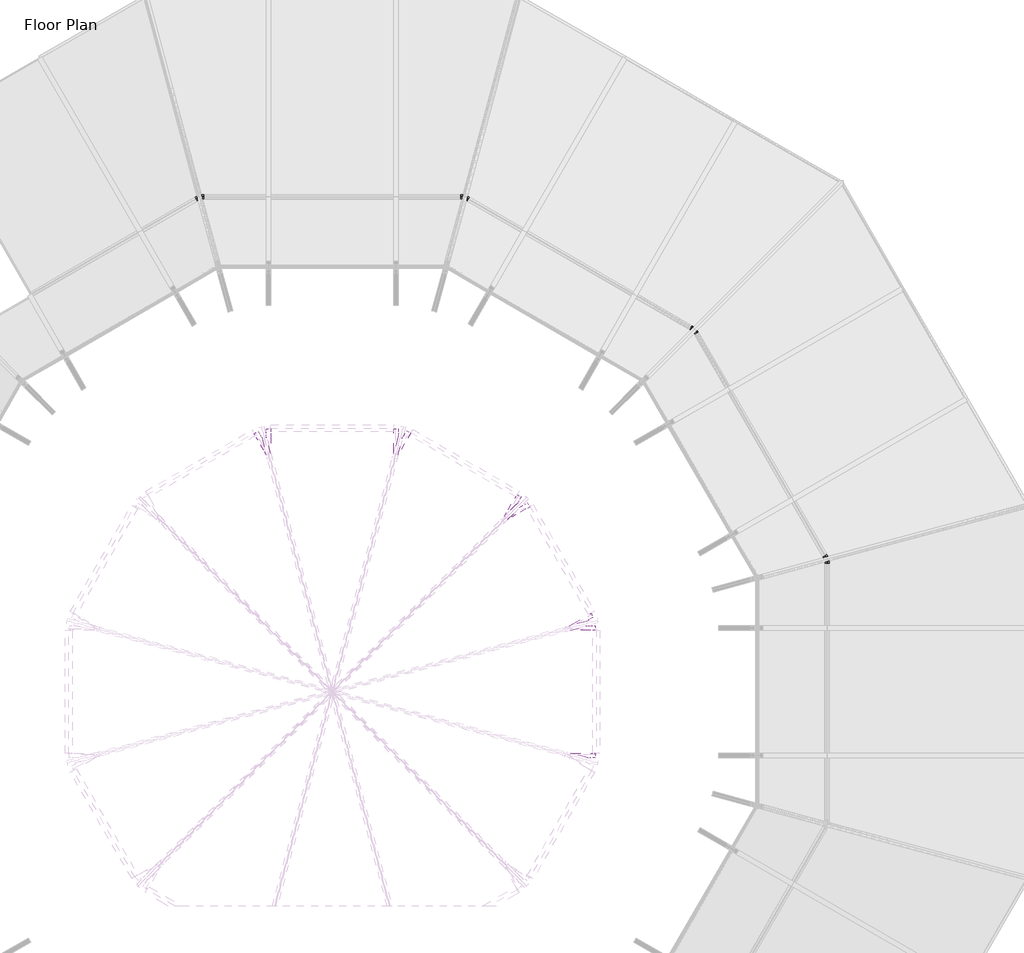
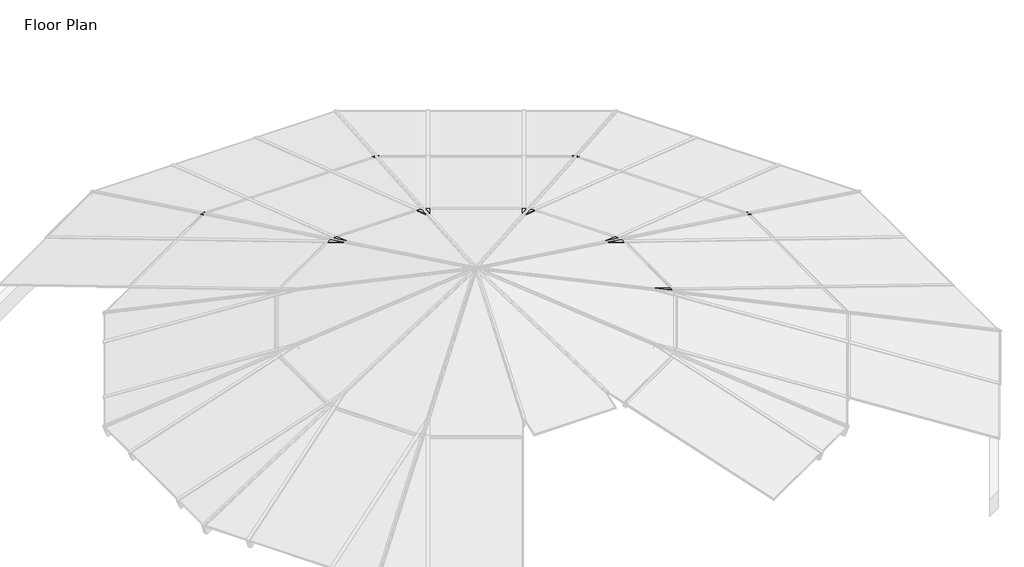
# One storey, part 7 of 7: 17 proxies.
"""IFC4 building model written with IfcOpenShell, lengths in millimetres."""

from ifc_helpers import new_model, si_unit, origin, place, context, project, spatial, faceted_brep, element, save

model = new_model("IFC4")

# Units and contexts
model_context = context("Model", 3, world=origin())
ifc_project = project(units=[si_unit("LENGTHUNIT", "METRE", prefix="MILLI")], contexts=[model_context])

# Site, building, storey
site = spatial("IfcSite", under=ifc_project)
building = spatial("IfcBuilding", under=site)
storey = spatial("IfcBuildingStorey", under=building, Name="Floor Plan", Elevation=0.0)

# Proxies
placement = place(None, origin())
element("IfcBuildingElementProxy", 1, Name="Purlin10 : Purlin", ObjectType="Purlin10 : Purlin", at=placement, inside=storey, context=model_context, shape_type="Brep", body=[
    faceted_brep([(10444.1800702, 7986.8946887, 912.0046085), (10433.0101736, 8006.2415171, 894.2792535), (10433.9737861, 8004.5724914, 888.4959136), (10442.2690755, 7990.2046287, 894.0245144), (10445.8223964, 7984.0500962, 872.6984486), (10437.5389669, 7998.3974169, 867.1777521), (10449.6363185, 7977.4441894, 794.5727396), (10479.7578803, 7925.2721139, 814.6479994), (10467.6605288, 7946.2253415, 887.253012), (10459.7445823, 7959.9361629, 881.9772337), (10456.1912613, 7966.0906954, 903.3032995), (10464.0953479, 7952.4004159, 908.5711734), (10463.1317354, 7954.0694417, 914.3545133), (10448.8782789, 7978.7571525, 915.1358458), (10467.9730775, 8000.6315879, 912.0046085), (10461.9876761, 8022.971686, 894.2792535), (10462.5044046, 8021.0446517, 888.4959136), (10466.9498368, 8004.4540729, 894.0245144), (10468.8552732, 7997.3481338, 872.6984486), (10464.4161967, 8013.9149928, 867.1777521), (10470.9032924, 7989.7226825, 794.5727396), (10487.0453887, 7929.4795589, 814.6479994), (10480.558293, 7953.6718692, 887.253012), (10476.3161501, 7969.503762, 881.9772337), (10474.4107137, 7976.6097012, 903.3032995), (10478.646501, 7960.8015281, 908.5711734), (10478.1297725, 7962.7285624, 914.3545133), (10470.4908399, 7991.2351705, 915.1358458)], [[[0, 1, 2, 3, 4, 5, 6, 7, 8, 9, 10, 11, 12, 13]], [[1, 0, 14, 15]], [[2, 1, 15, 16]], [[3, 2, 16, 17]], [[4, 3, 17, 18]], [[5, 4, 18, 19]], [[6, 5, 19, 20]], [[7, 6, 20, 21]], [[8, 7, 21, 22]], [[9, 8, 22, 23]], [[10, 9, 23, 24]], [[11, 10, 24, 25]], [[12, 11, 25, 26]], [[13, 12, 26, 27]], [[0, 13, 27, 14]], [[15, 14, 27, 26, 25, 24, 23, 22, 21, 20, 19, 18, 17, 16]]]),
    faceted_brep([(10510.3334344, 7965.2251064, 872.6022726), (10519.9896991, 7948.4999654, 814.6479994), (10510.3405627, 7965.2127599, 808.2170938), (10515.5115193, 7945.914487, 814.6479994)], [[[0, 1, 2]], [[2, 1, 3]], [[1, 0, 3]], [[0, 2, 3]]]),
])
element("IfcBuildingElementProxy", 2, Name="Purlin11 : Purlin", ObjectType="Purlin11 : Purlin", at=placement, inside=storey, context=model_context, shape_type="Brep", body=[
    faceted_brep([(10557.0256495, 8017.1315705, 912.0046085), (10557.0256495, 8007.7351531, 915.1358458), (10557.0256495, 7979.2282401, 914.3545133), (10557.0256495, 7977.3010152, 908.5711734), (10557.0256495, 7993.1091883, 903.3032995), (10557.0256495, 7986.0025463, 881.9772337), (10557.0256495, 7970.1706534, 887.253012), (10557.0256495, 7945.9759503, 814.6479994), (10557.0256495, 8006.2190739, 794.5727396), (10557.0256495, 8030.413777, 867.1777521), (10557.0256495, 8013.8469181, 872.6984486), (10557.0256495, 8020.95356, 894.0245144), (10557.0256495, 8037.5441388, 888.4959136), (10557.0256495, 8039.4713637, 894.2792535), (10523.5653117, 8039.4713637, 894.2792535), (10529.5518512, 8017.1315705, 912.0046085), (10524.0813289, 8037.5441388, 888.4959136), (10528.5267611, 8020.95356, 894.0245144), (10530.4295744, 8013.8469181, 872.6984486), (10525.9904979, 8030.413777, 867.1777521), (10532.4686633, 8006.2190739, 794.5727396), (10548.6107596, 7945.9759503, 814.6479994), (10542.1325942, 7970.1706534, 887.253012), (10537.8904513, 7986.0025463, 881.9772337), (10535.987638, 7993.1091883, 903.3032995), (10540.2234252, 7977.3010152, 908.5711734), (10539.707408, 7979.2282401, 914.3545133), (10532.0696137, 8007.7351531, 915.1358458)], [[[0, 1, 2, 3, 4, 5, 6, 7, 8, 9, 10, 11, 12, 13]], [[0, 13, 14, 15]], [[13, 12, 16, 14]], [[12, 11, 17, 16]], [[11, 10, 18, 17]], [[10, 9, 19, 18]], [[9, 8, 20, 19]], [[8, 7, 21, 20]], [[7, 6, 22, 21]], [[6, 5, 23, 22]], [[5, 4, 24, 23]], [[4, 3, 25, 24]], [[3, 2, 26, 25]], [[2, 1, 27, 26]], [[1, 0, 15, 27]], [[15, 14, 16, 17, 18, 19, 20, 21, 22, 23, 24, 25, 26, 27]]]),
    faceted_brep([(10510.5699467, 7965.2742231, 808.2170938), (10510.5699467, 7945.9759503, 814.6479994), (10510.5699467, 7965.2884796, 872.6022726), (10515.7409033, 7945.9759503, 814.6479994)], [[[0, 1, 2]], [[1, 0, 3]], [[2, 1, 3]], [[0, 2, 3]]]),
])
element("IfcBuildingElementProxy", 3, Name="Purlin12 : Purlin", ObjectType="Purlin12 : Purlin", at=placement, inside=storey, context=model_context, shape_type="Brep", body=[
    faceted_brep([(14016.2584541, 8017.1315705, 912.0046085), (14016.2584541, 8039.4713637, 894.2792535), (14016.2584541, 8037.5441388, 888.4959136), (14016.2584541, 8020.95356, 894.0245144), (14016.2584541, 8013.8469181, 872.6984486), (14016.2584541, 8030.413777, 867.1777521), (14016.2584541, 8006.2190739, 794.5727396), (14016.2584541, 7945.9759503, 814.6479994), (14016.2584541, 7970.1706534, 887.253012), (14016.2584541, 7986.0025463, 881.9772337), (14016.2584541, 7993.1091883, 903.3032995), (14016.2584541, 7977.3010152, 908.5711734), (14016.2584541, 7979.2282401, 914.3545133), (14016.2584541, 8007.7351531, 915.1358458), (14043.7322524, 8017.1315705, 912.0046085), (14049.7187919, 8039.4713637, 894.2792535), (14049.2027747, 8037.5441388, 888.4959136), (14044.7573426, 8020.95356, 894.0245144), (14042.8545293, 8013.8469181, 872.6984486), (14047.2936058, 8030.413777, 867.1777521), (14040.8154403, 8006.2190739, 794.5727396), (14024.673344, 7945.9759503, 814.6479994), (14031.1515094, 7970.1706534, 887.253012), (14035.3936524, 7986.0025463, 881.9772337), (14037.2964656, 7993.1091883, 903.3032995), (14033.0606784, 7977.3010152, 908.5711734), (14033.5766956, 7979.2282401, 914.3545133), (14041.21449, 8007.7351531, 915.1358458)], [[[0, 1, 2, 3, 4, 5, 6, 7, 8, 9, 10, 11, 12, 13]], [[1, 0, 14, 15]], [[2, 1, 15, 16]], [[3, 2, 16, 17]], [[4, 3, 17, 18]], [[5, 4, 18, 19]], [[6, 5, 19, 20]], [[7, 6, 20, 21]], [[8, 7, 21, 22]], [[9, 8, 22, 23]], [[10, 9, 23, 24]], [[11, 10, 24, 25]], [[12, 11, 25, 26]], [[13, 12, 26, 27]], [[0, 13, 27, 14]], [[15, 14, 27, 26, 25, 24, 23, 22, 21, 20, 19, 18, 17, 16]]]),
    faceted_brep([(14062.7141569, 7965.2884796, 872.6022726), (14062.7141569, 7945.9759503, 814.6479994), (14062.7141569, 7965.2742231, 808.2170938), (14057.5432003, 7945.9759503, 814.6479994)], [[[0, 1, 2]], [[2, 1, 3]], [[1, 0, 3]], [[0, 2, 3]]]),
])
element("IfcBuildingElementProxy", 4, Name="Purlin13 : Purlin", ObjectType="Purlin13 : Purlin", at=placement, inside=storey, context=model_context, shape_type="Brep", body=[
    faceted_brep([(14128.9942127, 7986.9697195, 912.0046085), (14124.296004, 7978.8321833, 915.1358458), (14110.0425475, 7954.1444724, 914.3545133), (14109.078935, 7952.4754467, 908.5711734), (14116.9830216, 7966.1657262, 903.3032995), (14113.4297006, 7960.0111937, 881.9772337), (14105.5137541, 7946.3003722, 887.253012), (14093.4164026, 7925.3471447, 814.6479994), (14123.5379644, 7977.5192201, 794.5727396), (14135.6353159, 7998.4724477, 867.1777521), (14127.3518864, 7984.125127, 872.6984486), (14130.9052074, 7990.2796594, 894.0245144), (14139.2004968, 8004.6475221, 888.4959136), (14140.1641093, 8006.3165479, 894.2792535), (14111.3340024, 8022.9616179, 894.2792535), (14105.348601, 8000.6215197, 912.0046085), (14110.8172739, 8021.0345835, 888.4959136), (14106.3718417, 8004.4440047, 894.0245144), (14104.4664054, 7997.3380656, 872.6984486), (14108.9054818, 8013.9049246, 867.1777521), (14102.4183861, 7989.7126143, 794.5727396), (14086.2762898, 7929.4694907, 814.6479994), (14092.7633855, 7953.661801, 887.253012), (14097.0055284, 7969.4936939, 881.9772337), (14098.9109648, 7976.599633, 903.3032995), (14094.6751776, 7960.7914599, 908.5711734), (14095.1919061, 7962.7184942, 914.3545133), (14102.8308386, 7991.2251023, 915.1358458)], [[[0, 1, 2, 3, 4, 5, 6, 7, 8, 9, 10, 11, 12, 13]], [[0, 13, 14, 15]], [[13, 12, 16, 14]], [[12, 11, 17, 16]], [[11, 10, 18, 17]], [[10, 9, 19, 18]], [[9, 8, 20, 19]], [[8, 7, 21, 20]], [[7, 6, 22, 21]], [[6, 5, 23, 22]], [[5, 4, 24, 23]], [[4, 3, 25, 24]], [[3, 2, 26, 25]], [[2, 1, 27, 26]], [[1, 0, 15, 27]], [[15, 14, 16, 17, 18, 19, 20, 21, 22, 23, 24, 25, 26, 27]]]),
    faceted_brep([(14062.9811158, 7965.2026917, 808.2170938), (14053.3319794, 7948.4898972, 814.6479994), (14062.9882441, 7965.2150382, 872.6022726), (14057.8101592, 7945.9044189, 814.6479994)], [[[0, 1, 2]], [[1, 0, 3]], [[2, 1, 3]], [[0, 2, 3]]]),
])
element("IfcBuildingElementProxy", 5, Name="Purlin14 : Purlin", ObjectType="Purlin14 : Purlin", at=placement, inside=storey, context=model_context, shape_type="Brep", body=[
    faceted_brep([(17125.037652, 6257.2032333, 912.0046085), (17136.2075486, 6276.5500617, 894.2792535), (17135.2439361, 6274.8810359, 888.4959136), (17126.9486467, 6260.5131733, 894.0245144), (17123.3953257, 6254.3586408, 872.6984486), (17131.6787552, 6268.7059615, 867.1777521), (17119.5814036, 6247.752734, 794.5727396), (17089.4598418, 6195.5806585, 814.6479994), (17101.5571934, 6216.5338861, 887.253012), (17109.4731399, 6230.2447075, 881.9772337), (17113.0264608, 6236.39924, 903.3032995), (17105.1223743, 6222.7089605, 908.5711734), (17106.0859868, 6224.3779862, 914.3545133), (17120.3394433, 6249.0656971, 915.1358458), (17148.6832636, 6243.551433, 912.0046085), (17165.0376555, 6259.9049917, 894.2792535), (17163.627159, 6258.4939745, 888.4959136), (17151.4820124, 6246.348828, 894.0245144), (17146.2808068, 6241.1457021, 872.6984486), (17158.4085893, 6253.2734846, 867.1777521), (17140.7009819, 6235.5593398, 794.5727396), (17096.5999546, 6191.4583125, 814.6479994), (17114.307562, 6209.1724573, 887.253012), (17125.897312, 6220.7622073, 881.9772337), (17131.0985176, 6225.9653331, 903.3032995), (17119.5261317, 6214.3929473, 908.5711734), (17120.9366282, 6215.8039644, 914.3545133), (17141.8046086, 6236.6727781, 915.1358458)], [[[0, 1, 2, 3, 4, 5, 6, 7, 8, 9, 10, 11, 12, 13]], [[1, 0, 14, 15]], [[2, 1, 15, 16]], [[3, 2, 16, 17]], [[4, 3, 17, 18]], [[5, 4, 18, 19]], [[6, 5, 19, 20]], [[7, 6, 20, 21]], [[8, 7, 21, 22]], [[9, 8, 22, 23]], [[10, 9, 23, 24]], [[11, 10, 24, 25]], [[12, 11, 25, 26]], [[13, 12, 26, 27]], [[0, 13, 27, 14]], [[15, 14, 27, 26, 25, 24, 23, 22, 21, 20, 19, 18, 17, 16]]]),
    faceted_brep([(17139.2005296, 6189.163047, 872.6022726), (17129.544265, 6172.437906, 814.6479994), (17139.1934014, 6189.1507005, 808.2170938), (17125.0660852, 6175.0233843, 814.6479994)], [[[0, 1, 2]], [[2, 1, 3]], [[1, 0, 3]], [[0, 2, 3]]]),
])
element("IfcBuildingElementProxy", 6, Name="Purlin15 : Purlin", ObjectType="Purlin15 : Purlin", at=placement, inside=storey, context=model_context, shape_type="Brep", body=[
    faceted_brep([(17207.4684122, 6174.7724731, 912.0046085), (17199.330876, 6170.0742644, 915.1358458), (17174.6431652, 6155.8208078, 914.3545133), (17172.9741394, 6154.8571954, 908.5711734), (17186.6644189, 6162.7612819, 903.3032995), (17180.5098864, 6159.2079609, 881.9772337), (17166.799065, 6151.2920145, 887.253012), (17145.8458374, 6139.1946629, 814.6479994), (17198.0179129, 6169.3162247, 794.5727396), (17218.9711404, 6181.4135763, 867.1777521), (17204.6238197, 6173.1301468, 872.6984486), (17210.7783522, 6176.6834678, 894.0245144), (17225.1462149, 6184.9787572, 888.4959136), (17226.8152406, 6185.9423697, 894.2792535), (17210.1701706, 6214.7724765, 894.2792535), (17193.8166119, 6198.4180847, 912.0046085), (17208.7591535, 6213.3619801, 888.4959136), (17196.6140069, 6201.2168335, 894.0245144), (17191.410881, 6196.0156279, 872.6984486), (17203.5386635, 6208.1434104, 867.1777521), (17185.8245187, 6190.435803, 794.5727396), (17141.7234914, 6146.3347757, 814.6479994), (17159.4376362, 6164.0423831, 887.253012), (17171.0273862, 6175.6321331, 881.9772337), (17176.2305121, 6180.8333387, 903.3032995), (17164.6581262, 6169.2609528, 908.5711734), (17166.0691433, 6170.6714493, 914.3545133), (17186.937957, 6191.5394297, 915.1358458)], [[[0, 1, 2, 3, 4, 5, 6, 7, 8, 9, 10, 11, 12, 13]], [[0, 13, 14, 15]], [[13, 12, 16, 14]], [[12, 11, 17, 16]], [[11, 10, 18, 17]], [[10, 9, 19, 18]], [[9, 8, 20, 19]], [[8, 7, 21, 20]], [[7, 6, 22, 21]], [[6, 5, 23, 22]], [[5, 4, 24, 23]], [[4, 3, 25, 24]], [[3, 2, 26, 25]], [[2, 1, 27, 26]], [[1, 0, 15, 27]], [[15, 14, 16, 17, 18, 19, 20, 21, 22, 23, 24, 25, 26, 27]]]),
    faceted_brep([(17139.4158794, 6188.9282225, 808.2170938), (17122.7030849, 6179.2790861, 814.6479994), (17139.428226, 6188.9353507, 872.6022726), (17125.2885632, 6174.8009063, 814.6479994)], [[[0, 1, 2]], [[1, 0, 3]], [[2, 1, 3]], [[0, 2, 3]]]),
])
element("IfcBuildingElementProxy", 7, Name="Purlin16 : Purlin", ObjectType="Purlin16 : Purlin", at=placement, inside=storey, context=model_context, shape_type="Brep", body=[
    faceted_brep([(18937.2154075, 3178.7627929, 912.0046085), (18956.5622359, 3189.9326895, 894.2792535), (18954.8932102, 3188.969077, 888.4959136), (18940.5253475, 3180.6737877, 894.0245144), (18934.370815, 3177.1204667, 872.6984486), (18948.7181358, 3185.4038962, 867.1777521), (18927.7649082, 3173.3065446, 794.5727396), (18875.5928328, 3143.1849828, 814.6479994), (18896.5460603, 3155.2823344, 887.253012), (18910.2568817, 3163.1982808, 881.9772337), (18916.4114142, 3166.7516018, 903.3032995), (18902.7211347, 3158.8475152, 908.5711734), (18904.3901605, 3159.8111277, 914.3545133), (18929.0778713, 3174.0645842, 915.1358458), (18950.8672077, 3155.1171813, 912.0046085), (18973.2073059, 3161.1025826, 894.2792535), (18971.2802716, 3160.5858541, 888.4959136), (18954.6896928, 3156.1404219, 894.0245144), (18947.5837537, 3154.2349856, 872.6984486), (18964.1506127, 3158.6740621, 867.1777521), (18939.9583024, 3152.1869664, 794.5727396), (18879.7151788, 3136.04487, 814.6479994), (18903.9074891, 3142.5319658, 887.253012), (18919.7393819, 3146.7741087, 881.9772337), (18926.8453211, 3148.679545, 903.3032995), (18911.037148, 3144.4437578, 908.5711734), (18912.9641823, 3144.9604863, 914.3545133), (18941.4707904, 3152.5994188, 915.1358458)], [[[0, 1, 2, 3, 4, 5, 6, 7, 8, 9, 10, 11, 12, 13]], [[1, 0, 14, 15]], [[2, 1, 15, 16]], [[3, 2, 16, 17]], [[4, 3, 17, 18]], [[5, 4, 18, 19]], [[6, 5, 19, 20]], [[7, 6, 20, 21]], [[8, 7, 21, 22]], [[9, 8, 22, 23]], [[10, 9, 23, 24]], [[11, 10, 24, 25]], [[12, 11, 25, 26]], [[13, 12, 26, 27]], [[0, 13, 27, 14]], [[15, 14, 27, 26, 25, 24, 23, 22, 21, 20, 19, 18, 17, 16]]]),
    faceted_brep([(18915.4607263, 3112.7568243, 872.6022726), (18898.7355852, 3103.1005596, 814.6479994), (18915.4483798, 3112.7496961, 808.2170938), (18896.1501069, 3107.5787394, 814.6479994)], [[[0, 1, 2]], [[2, 1, 3]], [[1, 0, 3]], [[0, 2, 3]]]),
])
element("IfcBuildingElementProxy", 8, Name="Purlin17 : Purlin", ObjectType="Purlin17 : Purlin", at=placement, inside=storey, context=model_context, shape_type="Brep", body=[
    faceted_brep([(18967.396894, 3066.1239517, 912.0046085), (18958.0004767, 3066.1239517, 915.1358458), (18929.4935636, 3066.1239517, 914.3545133), (18927.5663387, 3066.1239517, 908.5711734), (18943.3745118, 3066.1239517, 903.3032995), (18936.2678698, 3066.1239517, 881.9772337), (18920.4359769, 3066.1239517, 887.253012), (18896.2412738, 3066.1239517, 814.6479994), (18956.4843974, 3066.1239517, 794.5727396), (18980.6791006, 3066.1239517, 867.1777521), (18964.1122416, 3066.1239517, 872.6984486), (18971.2188835, 3066.1239517, 894.0245144), (18987.8094623, 3066.1239517, 888.4959136), (18989.7366873, 3066.1239517, 894.2792535), (18989.7366873, 3099.4140917, 894.2792535), (18967.396894, 3093.4275522, 912.0046085), (18987.8094623, 3098.8980745, 888.4959136), (18971.2188835, 3094.4526423, 894.0245144), (18964.1122416, 3092.549829, 872.6984486), (18980.6791006, 3096.9889055, 867.1777521), (18956.4843974, 3090.5107401, 794.5727396), (18896.2412738, 3074.3686437, 814.6479994), (18920.4359769, 3080.8468092, 887.253012), (18936.2678698, 3085.0889521, 881.9772337), (18943.3745118, 3086.9917654, 903.3032995), (18927.5663387, 3082.7559782, 908.5711734), (18929.4935636, 3083.2719953, 914.3545133), (18958.0004767, 3090.9097897, 915.1358458)], [[[0, 1, 2, 3, 4, 5, 6, 7, 8, 9, 10, 11, 12, 13]], [[0, 13, 14, 15]], [[13, 12, 16, 14]], [[12, 11, 17, 16]], [[11, 10, 18, 17]], [[10, 9, 19, 18]], [[9, 8, 20, 19]], [[8, 7, 21, 20]], [[7, 6, 22, 21]], [[6, 5, 23, 22]], [[5, 4, 24, 23]], [[4, 3, 25, 24]], [[3, 2, 26, 25]], [[2, 1, 27, 26]], [[1, 0, 15, 27]], [[15, 14, 16, 17, 18, 19, 20, 21, 22, 23, 24, 25, 26, 27]]]),
    faceted_brep([(18915.5395466, 3112.4094567, 808.2170938), (18896.2412738, 3112.4094567, 814.6479994), (18915.5538031, 3112.4094567, 872.6022726), (18896.2412738, 3107.2385001, 814.6479994)], [[[0, 1, 2]], [[1, 0, 3]], [[2, 1, 3]], [[0, 2, 3]]]),
])
element("IfcBuildingElementProxy", 9, Name="Rafter17 : Rafter", ObjectType="Rafter17 : Rafter", at=placement, inside=storey, context=model_context, shape_type="Brep", body=[
    faceted_brep([(11396.8446434, 4534.0456401, 2050.4944179), (11396.842791, 4534.0488487, 2067.2264209), (11232.3649744, 4818.9327837, 1957.6061122), (11234.8743818, 4814.5863625, 1942.5453313), (11377.7946434, 4605.141208, 2026.8027181), (11251.3721658, 4824.1113625, 1942.5453313), (11377.7972665, 4605.1366647, 2003.1102019), (11254.9254868, 4817.95683, 1921.2192655), (11388.9224665, 4563.6168531, 2016.9461546), (11245.290781, 4812.39423, 1921.2192655), (11388.9233023, 4563.6154054, 2009.3966748), (11246.4230256, 4810.4331247, 1914.4238412), (11380.9731023, 4593.2859557, 1999.5093388), (11253.3081008, 4814.4082247, 1914.4238412), (11380.9740241, 4593.2843592, 1991.1834941), (11254.5567819, 4812.2454455, 1906.9295966), (11396.8490241, 4534.0380526, 2010.9265773), (11240.8086286, 4804.3079455, 1906.9295966), (11396.8650499, 4534.010295, 1866.1746732), (11262.5180146, 4766.706186, 1776.6357688), (11345.339042, 4750.2559587, 1795.1827037), (11339.3924006, 4748.5011423, 1794.6983082), (11317.5106278, 4798.456186, 1776.6357688), (11333.3490241, 4771.0232789, 1931.9542447), (11333.3562042, 4771.0108425, 1867.1004356), (11295.8012418, 4836.0579455, 1906.9295966), (11349.2240241, 4711.7769723, 1951.6973279), (11282.0530885, 4828.1204455, 1906.9295966), (11349.2231023, 4711.7785689, 1960.0231725), (11280.8044073, 4830.2832247, 1914.4238412), (11341.2729023, 4741.4491192, 1950.1358365), (11287.6894825, 4834.2583247, 1914.4238412), (11341.2720665, 4741.4505669, 1957.6853162), (11286.5572379, 4836.21943, 1921.2192655), (11352.3972665, 4699.9307553, 1971.5212689), (11276.922532, 4830.65683, 1921.2192655), (11352.3946434, 4699.9352985, 1995.2137851), (11273.369211, 4836.8113625, 1942.5453313), (11333.3446434, 4771.0308664, 1971.5220853), (11289.866995, 4846.3363625, 1942.5453313), (11333.342791, 4771.0340749, 1988.2540883), (11287.3575875, 4850.6827837, 1957.6061122)], [[[0, 1, 2, 3]], [[4, 0, 3, 5]], [[6, 4, 5, 7]], [[8, 6, 7, 9]], [[10, 8, 9, 11]], [[12, 10, 11, 13]], [[14, 12, 13, 15]], [[16, 14, 15, 17]], [[18, 16, 17, 19]], [[20, 21, 18, 19, 22]], [[23, 24, 20, 22, 25]], [[26, 23, 25, 27]], [[28, 26, 27, 29]], [[30, 28, 29, 31]], [[32, 30, 31, 33]], [[34, 32, 33, 35]], [[36, 34, 35, 37]], [[38, 36, 37, 39]], [[40, 38, 39, 41]], [[1, 40, 41, 2]], [[1, 0, 4, 6, 8, 10, 12, 14, 16, 18, 21, 24, 23, 26, 28, 30, 32, 34, 36, 38, 40]], [[21, 20, 24]], [[3, 2, 41, 39, 37, 35, 33, 31, 29, 27, 25, 22, 19, 17, 15, 13, 11, 9, 7, 5]]]),
])
element("IfcBuildingElementProxy", 10, Name="Rafter18 : Rafter", ObjectType="Rafter18 : Rafter", at=placement, inside=storey, context=model_context, shape_type="Brep", body=[
    faceted_brep([(14655.928677, 3660.7179283, 2067.2264209), (14655.9254685, 3660.7160759, 2050.4944179), (14942.8040469, 3826.3455004, 1940.1065917), (14947.1504681, 3828.8549079, 1955.1673726), (14707.9710363, 3712.7616438, 2026.8027181), (14933.2790469, 3842.8432843, 1940.1065917), (14707.9664931, 3712.7590207, 2003.1102019), (14927.1245144, 3839.2899633, 1918.7805259), (14677.5718814, 3682.3644091, 2016.9461546), (14932.6871144, 3829.6552575, 1918.7805259), (14677.5704337, 3682.3635732, 2009.3966748), (14930.7260091, 3828.5230129, 1911.9851016), (14699.2907841, 3704.0839236, 1999.5093388), (14926.7509091, 3835.408088, 1911.9851016), (14699.2891875, 3704.0830018, 1991.1834941), (14924.5881299, 3834.1594069, 1904.490857), (14655.9178809, 3660.7116952, 2010.9265773), (14932.5256299, 3820.4112536, 1904.490857), (14655.8901233, 3660.6956694, 1866.1746732), (14894.9238704, 3798.7018676, 1774.1970292), (14812.9083213, 3817.7138673, 1794.6983082), (14808.635787, 3822.2069036, 1795.1827037), (14863.1738704, 3853.6944807, 1774.1970292), (14829.3906708, 3834.1897414, 1867.1004356), (14829.4031072, 3834.1969215, 1931.9542447), (14900.7756299, 3875.4038667, 1904.490857), (14786.0318006, 3790.8256149, 1951.6973279), (14908.7131299, 3861.6557134, 1904.490857), (14786.0333972, 3790.8265367, 1960.0231725), (14910.8759091, 3862.9043946, 1911.9851016), (14807.7537475, 3812.546887, 1950.1358365), (14906.9008091, 3869.7894698, 1911.9851016), (14807.7551952, 3812.5477229, 1957.6853162), (14908.8619144, 3870.9217144, 1918.7805259), (14777.3605836, 3782.1531112, 1971.5212689), (14914.4245144, 3861.2870086, 1918.7805259), (14777.3651269, 3782.1557343, 1995.2137851), (14920.5790469, 3864.8403296, 1940.1065917), (14829.4106947, 3834.2013022, 1971.5220853), (14911.0540469, 3881.3381135, 1940.1065917), (14829.4139033, 3834.2031546, 1988.2540883), (14915.4004681, 3883.847521, 1955.1673726)], [[[0, 1, 2, 3]], [[1, 4, 5, 2]], [[4, 6, 7, 5]], [[6, 8, 9, 7]], [[8, 10, 11, 9]], [[10, 12, 13, 11]], [[12, 14, 15, 13]], [[14, 16, 17, 15]], [[16, 18, 19, 17]], [[18, 20, 21, 22, 19]], [[21, 23, 24, 25, 22]], [[24, 26, 27, 25]], [[26, 28, 29, 27]], [[28, 30, 31, 29]], [[30, 32, 33, 31]], [[32, 34, 35, 33]], [[34, 36, 37, 35]], [[36, 38, 39, 37]], [[38, 40, 41, 39]], [[40, 0, 3, 41]], [[1, 0, 40, 38, 36, 34, 32, 30, 28, 26, 24, 23, 20, 18, 16, 14, 12, 10, 8, 6, 4]], [[21, 20, 23]], [[3, 2, 5, 7, 9, 11, 13, 15, 17, 19, 22, 25, 27, 29, 31, 33, 35, 37, 39, 41]]]),
])
element("IfcBuildingElementProxy", 11, Name="Rafter19 : Rafter", ObjectType="Rafter19 : Rafter", at=placement, inside=storey, context=model_context, shape_type="Brep", body=[
    faceted_brep([(15484.2072292, 2226.0899834, 2050.4944179), (15484.2104377, 2226.0918358, 2067.2264209), (15775.4322288, 2394.2288153, 1955.1673726), (15771.0858076, 2391.7194079, 1940.1065917), (15555.302797, 2245.1399834, 2026.8027181), (15780.6108076, 2375.2216239, 1940.1065917), (15555.2982538, 2245.1373603, 2003.1102019), (15774.4562751, 2371.6683029, 1918.7805259), (15513.7784421, 2234.0121603, 2016.9461546), (15768.8936751, 2381.3030087, 1918.7805259), (15513.7769944, 2234.0113245, 2009.3966748), (15766.9325698, 2380.1707641, 1911.9851016), (15543.4475448, 2241.9615245, 1999.5093388), (15770.9076698, 2373.2856889, 1911.9851016), (15543.4459482, 2241.9606027, 1991.1834941), (15768.7448906, 2372.0370078, 1904.490857), (15484.1996416, 2226.0856027, 2010.9265773), (15760.8073906, 2385.7851611, 1904.490857), (15484.171884, 2226.0695768, 1866.1746732), (15723.2056311, 2364.0757751, 1774.1970292), (15700.4175477, 2277.5955848, 1795.1827037), (15698.6627313, 2283.5422262, 1794.6983082), (15754.9556311, 2309.0831619, 1774.1970292), (15721.1848679, 2289.5856027, 1931.9542447), (15721.1724315, 2289.5784226, 1867.1004356), (15792.5573906, 2330.7925479, 1904.490857), (15661.9385613, 2273.7106027, 1951.6973279), (15784.6198906, 2344.5407012, 1904.490857), (15661.9401579, 2273.7115245, 1960.0231725), (15786.7826698, 2345.7893824, 1911.9851016), (15691.6107082, 2281.6617245, 1950.1358365), (15790.7577698, 2338.9043072, 1911.9851016), (15691.6121559, 2281.6625603, 1957.6853162), (15792.7188751, 2340.0365518, 1918.7805259), (15650.0923443, 2270.5373603, 1971.5212689), (15787.1562751, 2349.6712577, 1918.7805259), (15650.0968876, 2270.5399834, 1995.2137851), (15793.3108076, 2353.2245787, 1940.1065917), (15721.1924554, 2289.5899834, 1971.5220853), (15802.8358076, 2336.7267947, 1940.1065917), (15721.195664, 2289.5918358, 1988.2540883), (15807.1822288, 2339.2362022, 1955.1673726)], [[[0, 1, 2, 3]], [[4, 0, 3, 5]], [[6, 4, 5, 7]], [[8, 6, 7, 9]], [[10, 8, 9, 11]], [[12, 10, 11, 13]], [[14, 12, 13, 15]], [[16, 14, 15, 17]], [[18, 16, 17, 19]], [[20, 21, 18, 19, 22]], [[23, 24, 20, 22, 25]], [[26, 23, 25, 27]], [[28, 26, 27, 29]], [[30, 28, 29, 31]], [[32, 30, 31, 33]], [[34, 32, 33, 35]], [[36, 34, 35, 37]], [[38, 36, 37, 39]], [[40, 38, 39, 41]], [[1, 40, 41, 2]], [[1, 0, 4, 6, 8, 10, 12, 14, 16, 18, 21, 24, 23, 26, 28, 30, 32, 34, 36, 38, 40]], [[21, 20, 24]], [[3, 2, 41, 39, 37, 35, 33, 31, 29, 27, 25, 22, 19, 17, 15, 13, 11, 9, 7, 5]]]),
])
element("IfcBuildingElementProxy", 12, Name="Rafter20 : Rafter", ObjectType="Rafter20 : Rafter", at=placement, inside=storey, context=model_context, shape_type="Brep", body=[
    faceted_brep([(15500.6715592, 2164.658094, 2067.2264209), (15500.6678543, 2164.658094, 2050.4944179), (15832.0235089, 2164.658094, 1940.0743324), (15837.0423239, 2164.658094, 1955.1351133), (15571.7634222, 2183.708094, 2026.8027181), (15832.0235089, 2183.708094, 1940.0743324), (15571.7581761, 2183.708094, 2003.1102019), (15824.916867, 2183.708094, 1918.7482666), (15530.2383644, 2172.582894, 2016.9461546), (15824.916867, 2172.582894, 1918.7482666), (15530.2366928, 2172.582894, 2009.3966748), (15822.6523776, 2172.582894, 1911.9528423), (15559.9072431, 2180.533094, 1999.5093388), (15822.6523776, 2180.533094, 1911.9528423), (15559.9053996, 2180.533094, 1991.1834941), (15820.1550153, 2180.533094, 1904.4585977), (15500.659093, 2164.658094, 2010.9265773), (15820.1550153, 2164.658094, 1904.4585977), (15500.6270412, 2164.658094, 1866.1746732), (15776.7362434, 2164.658094, 1774.16477), (15715.1178885, 2222.1307433, 1794.6983082), (15713.6642835, 2228.158094, 1795.1827037), (15776.7362434, 2228.158094, 1774.16477), (15737.629959, 2228.158094, 1867.1004356), (15737.6443193, 2228.158094, 1931.9542447), (15820.1550153, 2228.158094, 1904.4585977), (15678.3980127, 2212.283094, 1951.6973279), (15820.1550153, 2212.283094, 1904.4585977), (15678.3998563, 2212.283094, 1960.0231725), (15822.6523776, 2212.283094, 1911.9528423), (15708.0704066, 2220.233294, 1950.1358365), (15822.6523776, 2220.233294, 1911.9528423), (15708.0720782, 2220.233294, 1957.6853162), (15824.916867, 2220.233294, 1918.7482666), (15666.5522666, 2209.108094, 1971.5212689), (15824.916867, 2209.108094, 1918.7482666), (15666.5575127, 2209.108094, 1995.2137851), (15832.0235089, 2209.108094, 1940.0743324), (15737.6530806, 2228.158094, 1971.5220853), (15832.0235089, 2228.158094, 1940.0743324), (15737.6567855, 2228.158094, 1988.2540883), (15837.0423239, 2228.158094, 1955.1351133)], [[[0, 1, 2, 3]], [[1, 4, 5, 2]], [[4, 6, 7, 5]], [[6, 8, 9, 7]], [[8, 10, 11, 9]], [[10, 12, 13, 11]], [[12, 14, 15, 13]], [[14, 16, 17, 15]], [[16, 18, 19, 17]], [[18, 20, 21, 22, 19]], [[21, 23, 24, 25, 22]], [[24, 26, 27, 25]], [[26, 28, 29, 27]], [[28, 30, 31, 29]], [[30, 32, 33, 31]], [[32, 34, 35, 33]], [[34, 36, 37, 35]], [[36, 38, 39, 37]], [[38, 40, 41, 39]], [[40, 0, 3, 41]], [[1, 0, 40, 38, 36, 34, 32, 30, 28, 26, 24, 23, 20, 18, 16, 14, 12, 10, 8, 6, 4]], [[21, 20, 23]], [[3, 2, 5, 7, 9, 11, 13, 15, 17, 19, 22, 25, 27, 29, 31, 33, 35, 37, 39, 41]]]),
])
element("IfcBuildingElementProxy", 13, Name="Rafter21 : Rafter", ObjectType="Rafter21 : Rafter", at=placement, inside=storey, context=model_context, shape_type="Brep", body=[
    faceted_brep([(15500.6678543, 508.1348005, 2050.4944179), (15500.6715592, 508.1348005, 2067.2264209), (15837.0423239, 508.1348005, 1955.1351133), (15832.0235089, 508.1348005, 1940.0743324), (15571.7634222, 489.0848005, 2026.8027181), (15832.0235089, 489.0848005, 1940.0743324), (15571.7581761, 489.0848005, 2003.1102019), (15824.916867, 489.0848005, 1918.7482666), (15530.2383644, 500.2100005, 2016.9461546), (15824.916867, 500.2100005, 1918.7482666), (15530.2366928, 500.2100005, 2009.3966748), (15822.6523776, 500.2100005, 1911.9528423), (15559.9072431, 492.2598005, 1999.5093388), (15822.6523776, 492.2598005, 1911.9528423), (15559.9053996, 492.2598005, 1991.1834941), (15820.1550153, 492.2598005, 1904.4585977), (15500.659093, 508.1348005, 2010.9265773), (15820.1550153, 508.1348005, 1904.4585977), (15500.6270412, 508.1348005, 1866.1746732), (15776.7362434, 508.1348005, 1774.16477), (15713.6642835, 444.6348005, 1795.1827037), (15715.1178885, 450.6621512, 1794.6983082), (15776.7362434, 444.6348005, 1774.16477), (15737.6443193, 444.6348005, 1931.9542447), (15737.629959, 444.6348005, 1867.1004356), (15820.1550153, 444.6348005, 1904.4585977), (15678.3980127, 460.5098005, 1951.6973279), (15820.1550153, 460.5098005, 1904.4585977), (15678.3998563, 460.5098005, 1960.0231725), (15822.6523776, 460.5098005, 1911.9528423), (15708.0704066, 452.5596005, 1950.1358365), (15822.6523776, 452.5596005, 1911.9528423), (15708.0720782, 452.5596005, 1957.6853162), (15824.916867, 452.5596005, 1918.7482666), (15666.5522666, 463.6848005, 1971.5212689), (15824.916867, 463.6848005, 1918.7482666), (15666.5575127, 463.6848005, 1995.2137851), (15832.0235089, 463.6848005, 1940.0743324), (15737.6530806, 444.6348005, 1971.5220853), (15832.0235089, 444.6348005, 1940.0743324), (15737.6567855, 444.6348005, 1988.2540883), (15837.0423239, 444.6348005, 1955.1351133)], [[[0, 1, 2, 3]], [[4, 0, 3, 5]], [[6, 4, 5, 7]], [[8, 6, 7, 9]], [[10, 8, 9, 11]], [[12, 10, 11, 13]], [[14, 12, 13, 15]], [[16, 14, 15, 17]], [[18, 16, 17, 19]], [[20, 21, 18, 19, 22]], [[23, 24, 20, 22, 25]], [[26, 23, 25, 27]], [[28, 26, 27, 29]], [[30, 28, 29, 31]], [[32, 30, 31, 33]], [[34, 32, 33, 35]], [[36, 34, 35, 37]], [[38, 36, 37, 39]], [[40, 38, 39, 41]], [[1, 40, 41, 2]], [[1, 0, 4, 6, 8, 10, 12, 14, 16, 18, 21, 24, 23, 26, 28, 30, 32, 34, 36, 38, 40]], [[21, 20, 24]], [[3, 2, 41, 39, 37, 35, 33, 31, 29, 27, 25, 22, 19, 17, 15, 13, 11, 9, 7, 5]]]),
])
element("IfcBuildingElementProxy", 14, Name="Rafter3 : Rafter", ObjectType="Rafter3 : Rafter", at=placement, inside=storey, context=model_context, shape_type="Brep", body=[
    faceted_brep([(13115.03398, 4550.6867219, 2050.4944179), (13115.03398, 4550.6904268, 2067.2264209), (13115.03398, 4881.0700912, 1957.1315718), (13115.03398, 4876.0512763, 1942.0707909), (13134.08398, 4621.7822898, 2026.8027181), (13134.08398, 4876.0512763, 1942.0707909), (13134.08398, 4621.7770437, 2003.1102019), (13134.08398, 4868.9446343, 1920.7447251), (13122.95878, 4580.2572321, 2016.9461546), (13122.95878, 4868.9446343, 1920.7447251), (13122.95878, 4580.2555604, 2009.3966748), (13122.95878, 4866.680145, 1913.9493008), (13130.90898, 4609.9261107, 1999.5093388), (13130.90898, 4866.680145, 1913.9493008), (13130.90898, 4609.9242672, 1991.1834941), (13130.90898, 4864.1827827, 1906.4550562), (13115.03398, 4550.6779606, 2010.9265773), (13115.03398, 4864.1827827, 1906.4550562), (13115.03398, 4550.6459089, 1866.1746732), (13115.03398, 4820.7640107, 1776.1612284), (13178.53398, 4763.6831511, 1795.1827037), (13172.5066293, 4765.1367562, 1794.6983082), (13178.53398, 4820.7640107, 1776.1612284), (13178.53398, 4787.6631869, 1931.9542447), (13178.53398, 4787.6488266, 1867.1004356), (13178.53398, 4864.1827827, 1906.4550562), (13162.65898, 4728.4168803, 1951.6973279), (13162.65898, 4864.1827827, 1906.4550562), (13162.65898, 4728.4187239, 1960.0231725), (13162.65898, 4866.680145, 1913.9493008), (13170.60918, 4758.0892742, 1950.1358365), (13170.60918, 4866.680145, 1913.9493008), (13170.60918, 4758.0909459, 1957.6853162), (13170.60918, 4868.9446343, 1920.7447251), (13159.48398, 4716.5711342, 1971.5212689), (13159.48398, 4868.9446343, 1920.7447251), (13159.48398, 4716.5763803, 1995.2137851), (13159.48398, 4876.0512763, 1942.0707909), (13178.53398, 4787.6719482, 1971.5220853), (13178.53398, 4876.0512763, 1942.0707909), (13178.53398, 4787.6756531, 1988.2540883), (13178.53398, 4881.0700912, 1957.1315718)], [[[0, 1, 2, 3]], [[4, 0, 3, 5]], [[6, 4, 5, 7]], [[8, 6, 7, 9]], [[10, 8, 9, 11]], [[12, 10, 11, 13]], [[14, 12, 13, 15]], [[16, 14, 15, 17]], [[18, 16, 17, 19]], [[20, 21, 18, 19, 22]], [[23, 24, 20, 22, 25]], [[26, 23, 25, 27]], [[28, 26, 27, 29]], [[30, 28, 29, 31]], [[32, 30, 31, 33]], [[34, 32, 33, 35]], [[36, 34, 35, 37]], [[38, 36, 37, 39]], [[40, 38, 39, 41]], [[1, 40, 41, 2]], [[1, 0, 4, 6, 8, 10, 12, 14, 16, 18, 21, 24, 23, 26, 28, 30, 32, 34, 36, 38, 40]], [[21, 20, 24]], [[3, 2, 41, 39, 37, 35, 33, 31, 29, 27, 25, 22, 19, 17, 15, 13, 11, 9, 7, 5]]]),
])
element("IfcBuildingElementProxy", 15, Name="Rafter6 : Rafter", ObjectType="Rafter6 : Rafter", at=placement, inside=storey, context=model_context, shape_type="Brep", body=[
    faceted_brep([(11458.2501236, 4550.6904268, 2067.2264209), (11458.2501236, 4550.6867219, 2050.4944179), (11458.2501236, 4876.0512763, 1942.0707909), (11458.2501236, 4881.0700912, 1957.1315718), (11439.2001236, 4621.7822898, 2026.8027181), (11439.2001236, 4876.0512763, 1942.0707909), (11439.2001236, 4621.7770437, 2003.1102019), (11439.2001236, 4868.9446343, 1920.7447251), (11450.3253236, 4580.2572321, 2016.9461546), (11450.3253236, 4868.9446343, 1920.7447251), (11450.3253236, 4580.2555604, 2009.3966748), (11450.3253236, 4866.680145, 1913.9493008), (11442.3751236, 4609.9261107, 1999.5093388), (11442.3751236, 4866.680145, 1913.9493008), (11442.3751236, 4609.9242672, 1991.1834941), (11442.3751236, 4864.1827827, 1906.4550562), (11458.2501236, 4550.6779606, 2010.9265773), (11458.2501236, 4864.1827827, 1906.4550562), (11458.2501236, 4550.6459089, 1866.1746732), (11458.2501236, 4820.7640107, 1776.1612284), (11400.7774743, 4765.1367562, 1794.6983082), (11394.7501236, 4763.6831511, 1795.1827037), (11394.7501236, 4820.7640107, 1776.1612284), (11394.7501236, 4787.6488266, 1867.1004356), (11394.7501236, 4787.6631869, 1931.9542447), (11394.7501236, 4864.1827827, 1906.4550562), (11410.6251236, 4728.4168803, 1951.6973279), (11410.6251236, 4864.1827827, 1906.4550562), (11410.6251236, 4728.4187239, 1960.0231725), (11410.6251236, 4866.680145, 1913.9493008), (11402.6749236, 4758.0892742, 1950.1358365), (11402.6749236, 4866.680145, 1913.9493008), (11402.6749236, 4758.0909459, 1957.6853162), (11402.6749236, 4868.9446343, 1920.7447251), (11413.8001236, 4716.5711342, 1971.5212689), (11413.8001236, 4868.9446343, 1920.7447251), (11413.8001236, 4716.5763803, 1995.2137851), (11413.8001236, 4876.0512763, 1942.0707909), (11394.7501236, 4787.6719482, 1971.5220853), (11394.7501236, 4876.0512763, 1942.0707909), (11394.7501236, 4787.6756531, 1988.2540883), (11394.7501236, 4881.0700912, 1957.1315718)], [[[0, 1, 2, 3]], [[1, 4, 5, 2]], [[4, 6, 7, 5]], [[6, 8, 9, 7]], [[8, 10, 11, 9]], [[10, 12, 13, 11]], [[12, 14, 15, 13]], [[14, 16, 17, 15]], [[16, 18, 19, 17]], [[18, 20, 21, 22, 19]], [[21, 23, 24, 25, 22]], [[24, 26, 27, 25]], [[26, 28, 29, 27]], [[28, 30, 31, 29]], [[30, 32, 33, 31]], [[32, 34, 35, 33]], [[34, 36, 37, 35]], [[36, 38, 39, 37]], [[38, 40, 41, 39]], [[40, 0, 3, 41]], [[1, 0, 40, 38, 36, 34, 32, 30, 28, 26, 24, 23, 20, 18, 16, 14, 12, 10, 8, 6, 4]], [[21, 20, 23]], [[3, 2, 5, 7, 9, 11, 13, 15, 17, 19, 22, 25, 27, 29, 31, 33, 35, 37, 39, 41]]]),
])
element("IfcBuildingElementProxy", 16, Name="Rafter8 : Rafter", ObjectType="Rafter8 : Rafter", at=placement, inside=storey, context=model_context, shape_type="Brep", body=[
    faceted_brep([(13176.3226325, 4533.9649166, 2067.2264209), (13176.32078, 4533.9617081, 2050.4944179), (13341.6600353, 4820.3376987, 1940.2999821), (13344.1694428, 4824.6841199, 1955.360763), (13195.37078, 4605.0572759, 2026.8027181), (13325.1622514, 4829.8626987, 1940.2999821), (13195.368157, 4605.0527327, 2003.1102019), (13321.6089304, 4823.7081662, 1918.9739164), (13184.242957, 4563.532921, 2016.9461546), (13331.2436362, 4818.1455662, 1918.9739164), (13184.2421211, 4563.5314733, 2009.3966748), (13330.1113915, 4816.1844609, 1912.178492), (13192.1923211, 4593.2020237, 1999.5093388), (13323.2263164, 4820.1595609, 1912.178492), (13192.1913994, 4593.2004271, 1991.1834941), (13321.9776352, 4817.9967817, 1904.6842474), (13176.3163994, 4533.9541205, 2010.9265773), (13335.7257885, 4810.0592817, 1904.6842474), (13176.3003735, 4533.9263629, 1866.1746732), (13314.0164025, 4772.4575222, 1774.3904197), (13233.7730228, 4748.4172102, 1794.6983082), (13227.8263815, 4750.1720266, 1795.1827037), (13259.0237894, 4804.2075222, 1774.3904197), (13239.8092192, 4770.9269104, 1867.1004356), (13239.8163994, 4770.9393468, 1931.9542447), (13280.7331754, 4841.8092817, 1904.6842474), (13223.9413994, 4711.6930402, 1951.6973279), (13294.4813286, 4833.8717817, 1904.6842474), (13223.9423211, 4711.6946368, 1960.0231725), (13295.7300098, 4836.0345609, 1912.178492), (13231.8925211, 4741.3651871, 1950.1358365), (13288.8449346, 4840.0096609, 1912.178492), (13231.893357, 4741.3666348, 1957.6853162), (13289.9771793, 4841.9707662, 1918.9739164), (13220.768157, 4699.8468232, 1971.5212689), (13299.6118851, 4836.4081662, 1918.9739164), (13220.77078, 4699.8513665, 1995.2137851), (13303.1652061, 4842.5626987, 1940.2999821), (13239.82078, 4770.9469343, 1971.5220853), (13286.6674222, 4852.0876987, 1940.2999821), (13239.8226325, 4770.9501429, 1988.2540883), (13289.1768296, 4856.4341199, 1955.360763)], [[[0, 1, 2, 3]], [[1, 4, 5, 2]], [[4, 6, 7, 5]], [[6, 8, 9, 7]], [[8, 10, 11, 9]], [[10, 12, 13, 11]], [[12, 14, 15, 13]], [[14, 16, 17, 15]], [[16, 18, 19, 17]], [[18, 20, 21, 22, 19]], [[21, 23, 24, 25, 22]], [[24, 26, 27, 25]], [[26, 28, 29, 27]], [[28, 30, 31, 29]], [[30, 32, 33, 31]], [[32, 34, 35, 33]], [[34, 36, 37, 35]], [[36, 38, 39, 37]], [[38, 40, 41, 39]], [[40, 0, 3, 41]], [[1, 0, 40, 38, 36, 34, 32, 30, 28, 26, 24, 23, 20, 18, 16, 14, 12, 10, 8, 6, 4]], [[21, 20, 23]], [[3, 2, 5, 7, 9, 11, 13, 15, 17, 19, 22, 25, 27, 29, 31, 33, 35, 37, 39, 41]]]),
])
element("IfcBuildingElementProxy", 17, Name="Rafter9 : Rafter", ObjectType="Rafter9 : Rafter", at=placement, inside=storey, context=model_context, shape_type="Brep", body=[
    faceted_brep([(14610.981711, 3705.6598334, 2050.4944179), (14610.9835634, 3705.6630419, 2067.2264209), (14778.8303737, 3996.3822453, 1955.360763), (14776.3209662, 3992.035824, 1940.2999821), (14663.0272788, 3757.7054013, 2026.8027181), (14792.8187502, 3982.510824, 1940.2999821), (14663.0246558, 3757.700858, 2003.1102019), (14789.2654292, 3976.3562915, 1918.9739164), (14632.6300441, 3727.3062464, 2016.9461546), (14779.6307233, 3981.9188915, 1918.9739164), (14632.6292083, 3727.3047987, 2009.3966748), (14778.4984787, 3979.9577862, 1912.178492), (14654.3495586, 3749.025149, 1999.5093388), (14785.3835539, 3975.9826862, 1912.178492), (14654.3486369, 3749.0235524, 1991.1834941), (14784.1348727, 3973.819907, 1904.6842474), (14610.9773303, 3705.6522459, 2010.9265773), (14770.3867194, 3981.757407, 1904.6842474), (14610.9613044, 3705.6244882, 1866.1746732), (14748.6773334, 3944.1556475, 1774.3904197), (14772.4725387, 3858.370152, 1795.1827037), (14767.9795024, 3862.6426862, 1794.6983082), (14803.6699466, 3912.4056475, 1774.3904197), (14784.4625566, 3879.1374722, 1931.9542447), (14784.4553764, 3879.1250358, 1867.1004356), (14825.3793326, 3950.007407, 1904.6842474), (14741.09125, 3835.7661656, 1951.6973279), (14811.6311793, 3957.944907, 1904.6842474), (14741.0921718, 3835.7677621, 1960.0231725), (14812.8798604, 3960.1076862, 1912.178492), (14762.8125221, 3857.4881125, 1950.1358365), (14819.7649356, 3956.1325862, 1912.178492), (14762.8133579, 3857.4895602, 1957.6853162), (14820.8971802, 3958.0936915, 1918.9739164), (14732.4187463, 3827.0949485, 1971.5212689), (14811.2624744, 3963.6562915, 1918.9739164), (14732.4213693, 3827.0994918, 1995.2137851), (14814.8157954, 3969.810824, 1940.2999821), (14784.4669372, 3879.1450597, 1971.5220853), (14831.3135794, 3960.285824, 1940.2999821), (14784.4687897, 3879.1482682, 1988.2540883), (14833.8229868, 3964.6322453, 1955.360763)], [[[0, 1, 2, 3]], [[4, 0, 3, 5]], [[6, 4, 5, 7]], [[8, 6, 7, 9]], [[10, 8, 9, 11]], [[12, 10, 11, 13]], [[14, 12, 13, 15]], [[16, 14, 15, 17]], [[18, 16, 17, 19]], [[20, 21, 18, 19, 22]], [[23, 24, 20, 22, 25]], [[26, 23, 25, 27]], [[28, 26, 27, 29]], [[30, 28, 29, 31]], [[32, 30, 31, 33]], [[34, 32, 33, 35]], [[36, 34, 35, 37]], [[38, 36, 37, 39]], [[40, 38, 39, 41]], [[1, 40, 41, 2]], [[1, 0, 4, 6, 8, 10, 12, 14, 16, 18, 21, 24, 23, 26, 28, 30, 32, 34, 36, 38, 40]], [[21, 20, 24]], [[3, 2, 41, 39, 37, 35, 33, 31, 29, 27, 25, 22, 19, 17, 15, 13, 11, 9, 7, 5]]]),
])

save(model, "model.ifc")
